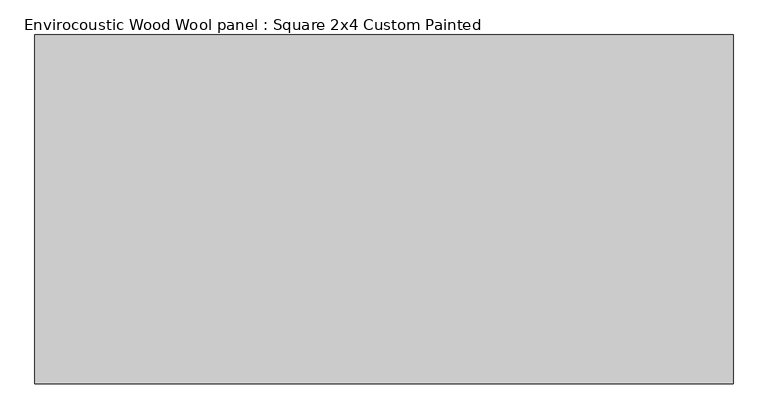
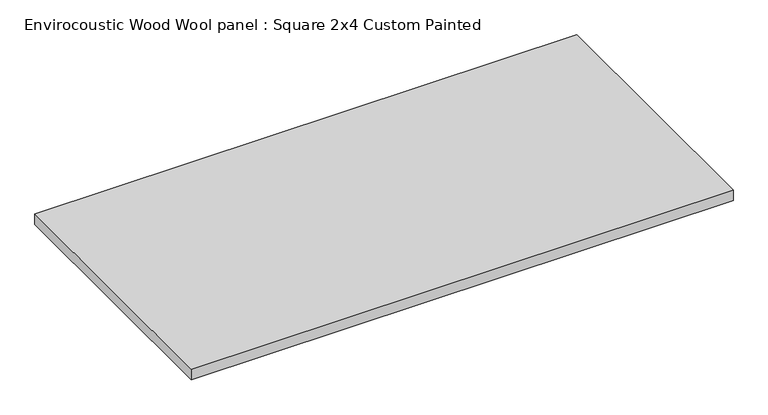
"""IFC4 building model written with IfcOpenShell, lengths in millimetres: proxy geometry, Envirocoustic Wood Wool panel : Square 2x4 Custom Painted."""

from ifc_helpers import new_model, si_unit, origin, origin_with_axes, place, context, project, spatial, polyline, outline, extrude, source, transform, mapped, element, save


def envirocoustic_wood_wool_panel_square_2x4_custom_painted_82ed4230(model_context):
    return source(origin(), model_context, "Body", "SweptSolid", [
        extrude(outline(polyline([(-609.6, 304.8), (609.6, 304.8), (609.6, -304.8), (-609.6, -304.8), (-609.6, 304.8)])), origin_with_axes(), (0.0, 0.0, 1.0), 25.4),
    ])


if __name__ == "__main__":
    model = new_model("IFC4")
    model_context = context("Model", 3, world=origin())
    ifc_project = project(units=[si_unit("LENGTHUNIT", "METRE", prefix="MILLI")], contexts=[model_context])
    site = spatial("IfcSite", under=ifc_project)
    building = spatial("IfcBuilding", under=site)
    placement = place(None, origin())
    envirocoustic_wood_wool_panel_square_2x4_custom_painted_shape = envirocoustic_wood_wool_panel_square_2x4_custom_painted_82ed4230(model_context)
    element("IfcBuildingElementProxy", 1, Name="Envirocoustic Wood Wool panel : Square 2x4 Custom Painted", ObjectType="Envirocoustic Wood Wool panel : Square 2x4 Custom Painted", at=placement, inside=building, context=model_context, shape_type="MappedRepresentation", body=[
        mapped(envirocoustic_wood_wool_panel_square_2x4_custom_painted_shape, transform((0.0, 0.0, 0.0), x_axis=(1.0, 0.0, 0.0), y_axis=(0.0, 1.0, 0.0), z_axis=(0.0, 0.0, 1.0))),
    ])
    save(model, "model.ifc")
